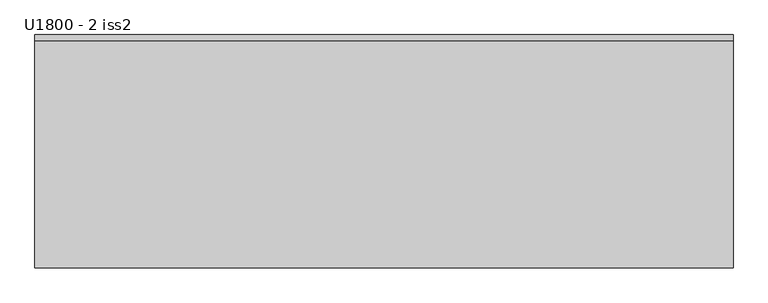
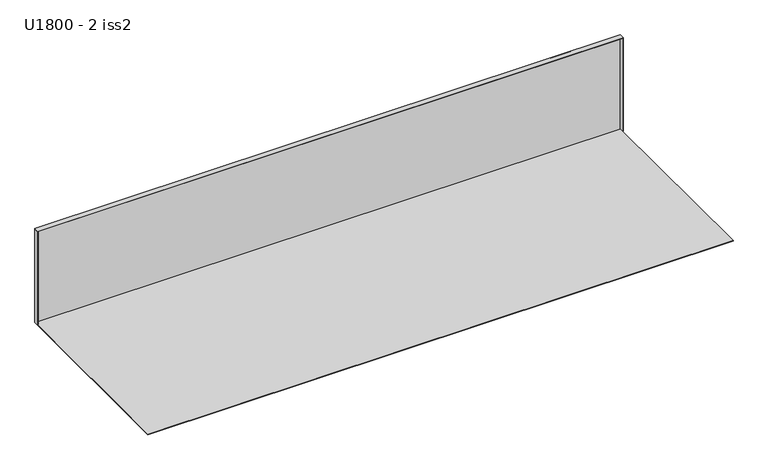
"""IFC4 building model written with IfcOpenShell, lengths in millimetres: proxy geometry, U1800 - 2 iss2."""

import ifcopenshell
import ifcopenshell.guid

model = None  # the IFC model being written
_history = None  # IfcOwnerHistory: only IFC2X3 demands one
_inside = {}  # id of a spatial element -> (the spatial element, [elements in it])
_under = {}  # id of a project, library or spatial element -> (it, [spatial elements below it])
_declared = {}  # id of a project -> (the project, [libraries it declares])
_typed = {}  # id of a type object -> (the type object, [elements of that type])
_made_of = {}  # id of a material, layer set ... -> (it, [elements and type objects made of it])


def new_model(schema):
    """Start an empty IFC model of exactly this schema.

    Asked for "IFC4X3", IfcOpenShell would pick the latest addendum, in which some entities
    have other attributes; the version numbers below select the first issue.
    IFC2X3 requires an IfcOwnerHistory on every rooted entity: one is made here for all.
    """
    global model, _history
    if schema == "IFC4X3":
        model = ifcopenshell.file(schema_version=(4, 3, 0, 0))
    else:
        model = ifcopenshell.file(schema=schema)
    _inside.clear()
    _under.clear()
    _declared.clear()
    _typed.clear()
    _made_of.clear()
    _history = None
    if model.schema == "IFC2X3":
        org = make("IfcOrganization", Name="unknown")
        user = make(
            "IfcPersonAndOrganization",
            ThePerson=make("IfcPerson", FamilyName="unknown"),
            TheOrganization=org,
        )
        app = make(
            "IfcApplication",
            ApplicationDeveloper=org,
            Version="unknown",
            ApplicationFullName="unknown",
            ApplicationIdentifier="unknown",
        )
        _history = make(
            "IfcOwnerHistory",
            OwningUser=user,
            OwningApplication=app,
            ChangeAction="ADDED",
            CreationDate=0,
        )
    return model


def make(cls, **values):
    """One entity of the class cls with the attributes given. An attribute that is None is left unset."""
    return model.create_entity(
        cls, **{name: value for name, value in values.items() if value is not None}
    )


def rooted(cls, **values):
    """An entity with a GlobalId (a new one), such as an element, a storey or a relation."""
    return make(cls, GlobalId=ifcopenshell.guid.new(), OwnerHistory=_history, **values)


def si_unit(unit_type, name, prefix=None):
    """IfcSIUnit, for example si_unit("LENGTHUNIT", "METRE", prefix="MILLI")."""
    return make("IfcSIUnit", UnitType=unit_type, Prefix=prefix, Name=name)


def assignment(units):
    """IfcUnitAssignment: the units of a project."""
    return None if units is None else make("IfcUnitAssignment", Units=units)


def point(xyz):
    """IfcCartesianPoint."""
    return None if xyz is None else make("IfcCartesianPoint", Coordinates=xyz)


def direction(xyz):
    """IfcDirection."""
    return None if xyz is None else make("IfcDirection", DirectionRatios=xyz)


def frame(location, z_axis=None, x_axis=None):
    """IfcAxis2Placement3D, a coordinate frame: its origin and axes. An axis left out is left unset."""
    return make(
        "IfcAxis2Placement3D",
        Location=point(location),
        Axis=direction(z_axis),
        RefDirection=direction(x_axis),
    )


def origin():
    """The frame at (0, 0, 0) with its axes left unset."""
    return frame((0.0, 0.0, 0.0))


def place(relative_to, where):
    """IfcLocalPlacement: puts the frame where relative to a parent placement (None: the world)."""
    return make(
        "IfcLocalPlacement", PlacementRelTo=relative_to, RelativePlacement=where
    )


def context(
    kind, dimensions, precision=None, world=None, true_north=None, identifier=None
):
    """IfcGeometricRepresentationContext, for example the 3D "Model" context."""
    return make(
        "IfcGeometricRepresentationContext",
        ContextIdentifier=identifier,
        ContextType=kind,
        CoordinateSpaceDimension=dimensions,
        Precision=precision,
        WorldCoordinateSystem=world,
        TrueNorth=true_north,
    )


def project(units=None, contexts=None):
    """IfcProject with its units and contexts."""
    return rooted(
        "IfcProject",
        Name="project",
        RepresentationContexts=contexts,
        UnitsInContext=assignment(units),
    )


def spatial(cls, under=None, at=None, **own):
    """A site, building, storey or space (cls), placed at a placement, below another one or the project."""
    s = rooted(cls, ObjectPlacement=at, **own)
    if under is not None:
        _under.setdefault(under.id(), (under, []))[1].append(s)
    return s


def faces_of(points, faces, orient=None, outer=None):
    """IfcFace entities. A face is a list of loops; a loop is a list of indices into points, from 0.

    orient and outer hold one flag for each loop. By default every Orientation is true, the
    first loop of a face is its IfcFaceOuterBound and the others are IfcFaceBound.
    """
    made = []
    for i, loops in enumerate(faces):
        bounds = []
        for j, loop in enumerate(loops):
            is_outer = j == 0 if outer is None else outer[i][j]
            bounds.append(
                make(
                    "IfcFaceOuterBound" if is_outer else "IfcFaceBound",
                    Bound=make("IfcPolyLoop", Polygon=[points[k] for k in loop]),
                    Orientation=True if orient is None else orient[i][j],
                )
            )
        made.append(make("IfcFace", Bounds=bounds))
    return made


def faceted_brep(points, faces, orient=None, outer=None, voids=None):
    """IfcFacetedBrep: a solid bounded by flat faces; with voids (closed shells), ...WithVoids."""
    shared = [point(p) for p in points]
    hull = make("IfcClosedShell", CfsFaces=faces_of(shared, faces, orient, outer))
    if voids is None:
        return make("IfcFacetedBrep", Outer=hull)
    return make(
        "IfcFacetedBrepWithVoids",
        Outer=hull,
        Voids=[
            make(cls, CfsFaces=faces_of(shared, fs, o, b)) for cls, fs, o, b in voids
        ],
    )


def shape(context_of_items, identifier, shape_type, items):
    """IfcShapeRepresentation: the items that make up one representation, for example the "Body"."""
    return make(
        "IfcShapeRepresentation",
        ContextOfItems=context_of_items,
        RepresentationIdentifier=identifier,
        RepresentationType=shape_type,
        Items=items,
    )


def source(mapping_origin, context_of_items, identifier, shape_type, items):
    """IfcRepresentationMap: a shape defined once, which mapped items show again and again."""
    return make(
        "IfcRepresentationMap",
        MappingOrigin=mapping_origin,
        MappedRepresentation=shape(context_of_items, identifier, shape_type, items),
    )


def transform(
    local_origin,
    x_axis=None,
    y_axis=None,
    z_axis=None,
    scale=None,
    scale2=None,
    scale3=None,
    uniform=True,
):
    """IfcCartesianTransformationOperator3D, or its non-uniform kind. x_axis, y_axis, z_axis: its Axis1, 2, 3."""
    if uniform:
        return make(
            "IfcCartesianTransformationOperator3D",
            Axis1=direction(x_axis),
            Axis2=direction(y_axis),
            LocalOrigin=point(local_origin),
            Scale=scale,
            Axis3=direction(z_axis),
        )
    return make(
        "IfcCartesianTransformationOperator3DnonUniform",
        Axis1=direction(x_axis),
        Axis2=direction(y_axis),
        LocalOrigin=point(local_origin),
        Scale=scale,
        Axis3=direction(z_axis),
        Scale2=scale2,
        Scale3=scale3,
    )


def mapped(mapping_source, mapping_target):
    """IfcMappedItem: shows the shape of a source again, moved by a transform."""
    return make(
        "IfcMappedItem", MappingSource=mapping_source, MappingTarget=mapping_target
    )


def made_of(thing, what):
    """Note that an element or type object is made of a material, layer set ...; save() writes the relation."""
    if what is not None:
        _made_of.setdefault(what.id(), (what, []))[1].append(thing)
    return thing


def element(
    cls,
    number,
    at=None,
    inside=None,
    cuts=None,
    type_object=None,
    material=None,
    context=None,
    identifier="Body",
    shape_type=None,
    held_by="IfcProductDefinitionShape",
    body=None,
    shapes=None,
    **own,
):
    """One element of the class cls, such as IfcWall. Its Tag is "e" and its number.

    at: its placement. inside: the storey or other place that contains it. cuts: it is an
    opening in that element (IfcRelVoidsElement). A single representation is given by context,
    identifier, shape_type and body (its items); several are given by shapes. held_by: the class
    of the entity that holds the representations. save() writes the other relations.
    """
    e = rooted(cls, Tag="e%d" % number, ObjectPlacement=at, **own)
    if body is not None:
        shapes = [shape(context, identifier, shape_type, body)]
    if shapes is not None:
        e.Representation = make(held_by, Representations=shapes)
    if inside is not None:
        _inside.setdefault(inside.id(), (inside, []))[1].append(e)
    if cuts is not None:
        rooted(
            "IfcRelVoidsElement", RelatingBuildingElement=cuts, RelatedOpeningElement=e
        )
    if type_object is not None:
        _typed.setdefault(type_object.id(), (type_object, []))[1].append(e)
    return made_of(e, material)


def aggregate(whole, parts):
    """IfcRelAggregates: a whole, such as a stair, and the parts it consists of."""
    return rooted("IfcRelAggregates", RelatingObject=whole, RelatedObjects=parts)


def save(model, path):
    """Write the relations noted so far, then the file.

    IfcRelAggregates (storeys below a building ...), IfcRelContainedInSpatialStructure (elements
    in a storey), IfcRelDefinesByType, IfcRelAssociatesMaterial and IfcRelDeclares: one each for
    every whole, place, type object, material and project.
    """
    for whole, parts in _under.values():
        aggregate(whole, parts)
    for where, things in _inside.values():
        rooted(
            "IfcRelContainedInSpatialStructure",
            RelatedElements=things,
            RelatingStructure=where,
        )
    for kind, things in _typed.values():
        rooted("IfcRelDefinesByType", RelatedObjects=things, RelatingType=kind)
    for what, things in _made_of.values():
        rooted("IfcRelAssociatesMaterial", RelatedObjects=things, RelatingMaterial=what)
    for by, libraries in _declared.values():
        rooted("IfcRelDeclares", RelatingContext=by, RelatedDefinitions=libraries)
    model.write(path)


def u1800_2_iss2_7a2f0c87(model_context):
    return source(origin(), model_context, "Body", "Brep", [
        faceted_brep([(-874.5, 291.5, 296.0), (-875.5, 291.5, 296.0), (-875.5, 290.5, 296.0), (-874.5, 290.5, 296.0), (-875.5, 291.5, 297.0), (875.5, 291.5, 297.0), (875.5, 277.5, 297.0), (-875.5, 277.5, 297.0), (875.5, 291.5, 296.0), (875.5, 290.5, 296.0), (875.5, 277.5, 296.0), (875.5, 277.5, 2.7), (875.5, 290.5, 2.7), (875.5, 291.5, 2.7), (875.5, 291.5, 1.0), (875.5, -292.5, 1.0), (875.5, -292.5, 0.0), (875.5, 292.5, 0.0), (875.5, 292.5, 298.0), (875.5, 277.5, 298.0), (874.5, 291.5, 296.0), (874.5, 290.5, 296.0), (-875.5, 292.5, 298.0), (-875.5, 292.5, 0.0), (-874.5, 291.5, 2.7), (-875.5, 291.5, 2.7), (-875.5, 291.5, 1.0), (874.5, 291.5, 2.7), (874.5, 290.5, 2.7), (-875.5, -292.5, 0.0), (-875.5, -292.5, 1.0), (-874.5, 290.5, 2.7), (-875.5, 290.5, 2.7), (-875.5, 277.5, 298.0), (874.5, 277.5, 2.7), (874.5, 277.5, 296.0), (-874.5, 277.5, 296.0), (-874.5, 277.5, 2.7), (-875.5, 277.5, 2.7), (-875.5, 277.5, 296.0)], [[[0, 1, 2, 3]], [[4, 5, 6, 7]], [[5, 8, 9, 10, 11, 12, 13, 14, 15, 16, 17, 18, 19, 6]], [[8, 20, 21, 9]], [[22, 18, 17, 23]], [[5, 4, 1, 0, 24, 25, 26, 14, 13, 27, 20, 8]], [[27, 13, 12, 28]], [[23, 17, 16, 29]], [[14, 26, 30, 15]], [[25, 24, 31, 32]], [[16, 15, 30, 29]], [[22, 33, 19, 18]], [[27, 28, 34, 35, 21, 20]], [[0, 3, 36, 37, 31, 24]], [[28, 12, 11, 34]], [[10, 9, 21, 35]], [[11, 10, 35, 34]], [[32, 31, 37, 38]], [[2, 39, 36, 3]], [[39, 38, 37, 36]], [[33, 22, 23, 29, 30, 26, 25, 32, 38, 39, 2, 1, 4, 7]], [[19, 33, 7, 6]]]),
    ])


if __name__ == "__main__":
    model = new_model("IFC4")
    model_context = context("Model", 3, world=origin())
    ifc_project = project(units=[si_unit("LENGTHUNIT", "METRE", prefix="MILLI")], contexts=[model_context])
    site = spatial("IfcSite", under=ifc_project)
    building = spatial("IfcBuilding", under=site)
    placement = place(None, origin())
    u1800_2_iss2_shape = u1800_2_iss2_7a2f0c87(model_context)
    element("IfcBuildingElementProxy", 1, Name="U1800 - 2 iss2", ObjectType="U1800 - 2 iss2", at=placement, inside=building, context=model_context, shape_type="MappedRepresentation", body=[
        mapped(u1800_2_iss2_shape, transform((0.0, 0.0, 0.0), x_axis=(1.0, 0.0, 0.0), y_axis=(0.0, 1.0, 0.0), z_axis=(0.0, 0.0, 1.0))),
    ])
    save(model, "model.ifc")
